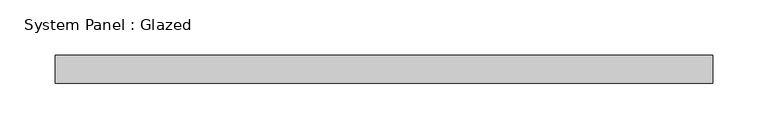
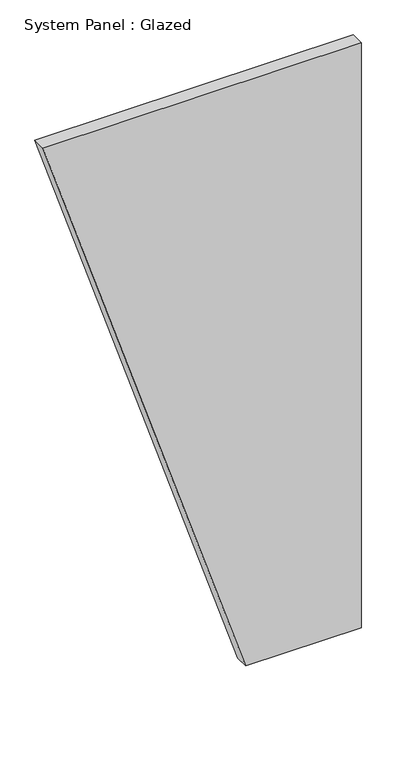
"""IFC4 building model written with IfcOpenShell, lengths in millimetres: plate geometry, System Panel : Glazed."""

from ifc_helpers import new_model, si_unit, frame, origin, place, context, project, spatial, polyline, outline, extrude, source, transform, mapped, element, save


def system_panel_glazed_fb9e5e5a(model_context):
    return source(origin(), model_context, "Body", "SweptSolid", [
        extrude(outline(polyline([(0.0, 81.5266804), (0.0, 297.3771978), (1155.7, 297.3771978), (1155.7, -297.3771978), (0.0, 81.5266804)])), frame((0.0, -44.45, 0.0), z_axis=(0.0, 1.0, 0.0), x_axis=(0.0, 0.0, 1.0)), (0.0, 0.0, 1.0), 25.4),
    ])


if __name__ == "__main__":
    model = new_model("IFC4")
    model_context = context("Model", 3, world=origin())
    ifc_project = project(units=[si_unit("LENGTHUNIT", "METRE", prefix="MILLI")], contexts=[model_context])
    site = spatial("IfcSite", under=ifc_project)
    building = spatial("IfcBuilding", under=site)
    placement = place(None, origin())
    system_panel_glazed_shape = system_panel_glazed_fb9e5e5a(model_context)
    element("IfcPlate", 1, ObjectType="System Panel : Glazed", at=placement, inside=building, context=model_context, shape_type="MappedRepresentation", body=[
        mapped(system_panel_glazed_shape, transform((0.0, 0.0, 0.0), x_axis=(1.0, 0.0, 0.0), y_axis=(0.0, 1.0, 0.0), z_axis=(0.0, 0.0, 1.0))),
    ])
    save(model, "model.ifc")
